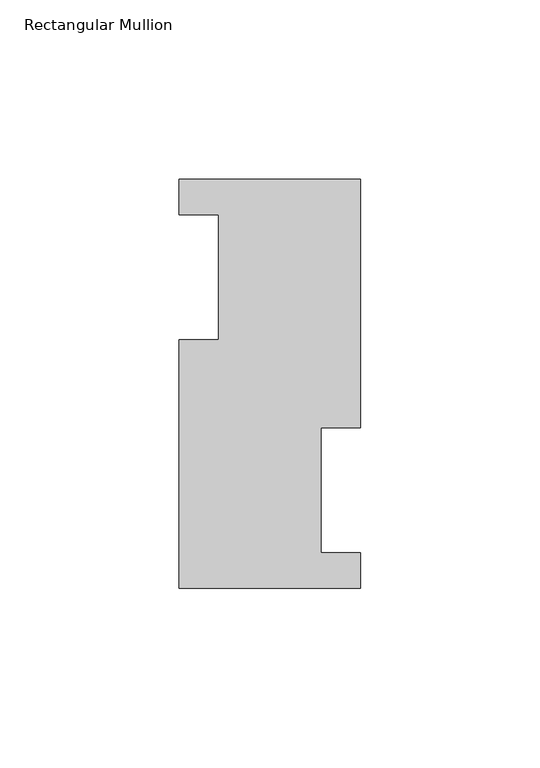
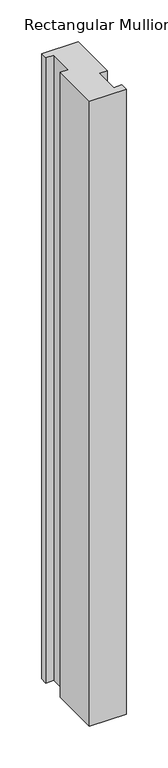
"""IFC4 building model written with IfcOpenShell, lengths in millimetres: member geometry, Rectangular Mullion."""

from ifc_helpers import new_model, si_unit, frame, origin, place, context, project, spatial, polyline, outline, extrude, source, transform, mapped, element, save


def rectangular_mullion_f67c5b14(model_context):
    return source(origin(), model_context, "Body", "SweptSolid", [
        extrude(outline(polyline([(25.4, 114.0729875), (25.4, 44.6039875), (14.2875, 44.6039875), (14.2875, 9.6789875), (25.4, 9.6789875), (25.4, -0.2270125), (-25.4, -0.2270125), (-25.4, 69.2419875), (-14.2875, 69.2419875), (-14.2875, 104.1669875), (-25.4, 104.1669875), (-25.4, 114.0729875), (25.4, 114.0729875)])), frame((0.0, 0.0, -914.4), z_axis=(0.0, 0.0, 1.0), x_axis=(1.0, 0.0, 0.0)), (0.0, 0.0, 1.0), 914.4),
    ])


if __name__ == "__main__":
    model = new_model("IFC4")
    model_context = context("Model", 3, world=origin())
    ifc_project = project(units=[si_unit("LENGTHUNIT", "METRE", prefix="MILLI")], contexts=[model_context])
    site = spatial("IfcSite", under=ifc_project)
    building = spatial("IfcBuilding", under=site)
    placement = place(None, origin())
    rectangular_mullion_shape = rectangular_mullion_f67c5b14(model_context)
    element("IfcMember", 1, ObjectType="Rectangular Mullion", at=placement, inside=building, context=model_context, shape_type="MappedRepresentation", body=[
        mapped(rectangular_mullion_shape, transform((0.0, 0.0, 0.0), x_axis=(1.0, 0.0, 0.0), y_axis=(0.0, 1.0, 0.0), z_axis=(0.0, 0.0, 1.0))),
    ])
    save(model, "model.ifc")
